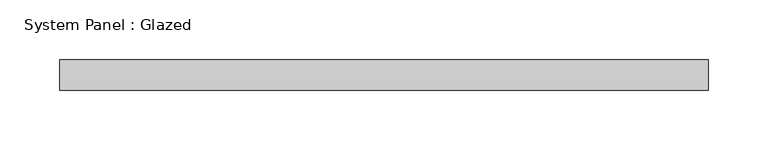
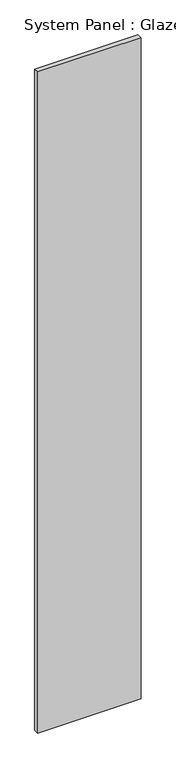
"""IFC4 building model written with IfcOpenShell, lengths in millimetres: plate geometry, System Panel : Glazed."""

from ifc_helpers import new_model, si_unit, origin, origin_with_axes, place, context, project, spatial, polyline, outline, extrude, source, transform, mapped, element, save


def system_panel_glazed_2ee85f57(model_context):
    return source(origin(), model_context, "Body", "SweptSolid", [
        extrude(outline(polyline([(270.6316868, 19.05), (-270.6316868, 19.05), (-270.6316868, 44.45), (270.6316868, 44.45), (270.6316868, 19.05)])), origin_with_axes(), (0.0, 0.0, 1.0), 3657.6),
    ])


if __name__ == "__main__":
    model = new_model("IFC4")
    model_context = context("Model", 3, world=origin())
    ifc_project = project(units=[si_unit("LENGTHUNIT", "METRE", prefix="MILLI")], contexts=[model_context])
    site = spatial("IfcSite", under=ifc_project)
    building = spatial("IfcBuilding", under=site)
    placement = place(None, origin())
    system_panel_glazed_shape = system_panel_glazed_2ee85f57(model_context)
    element("IfcPlate", 1, ObjectType="System Panel : Glazed", at=placement, inside=building, context=model_context, shape_type="MappedRepresentation", body=[
        mapped(system_panel_glazed_shape, transform((0.0, 0.0, 0.0), x_axis=(1.0, 0.0, 0.0), y_axis=(0.0, 1.0, 0.0), z_axis=(0.0, 0.0, 1.0))),
    ])
    save(model, "model.ifc")
